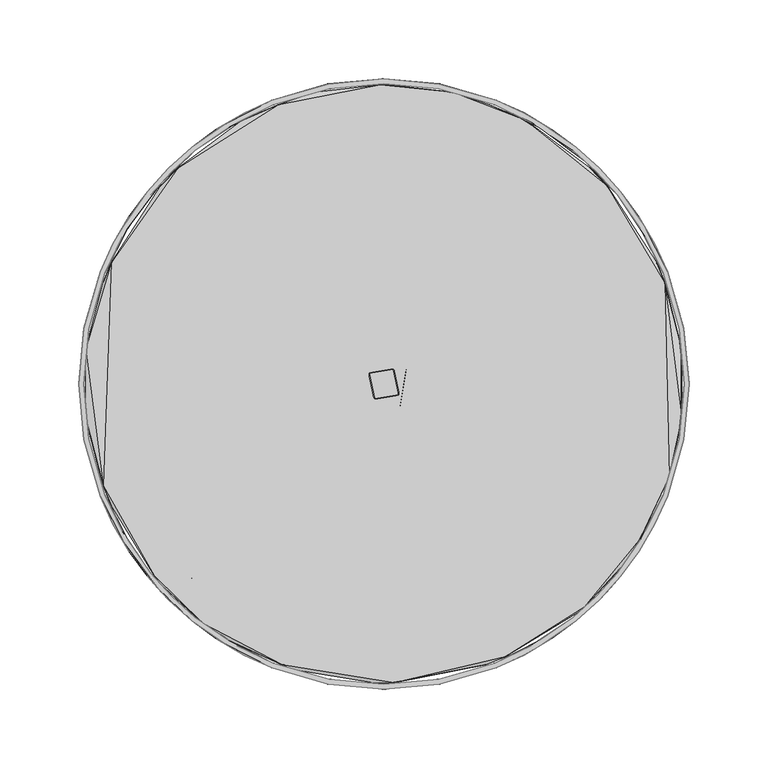
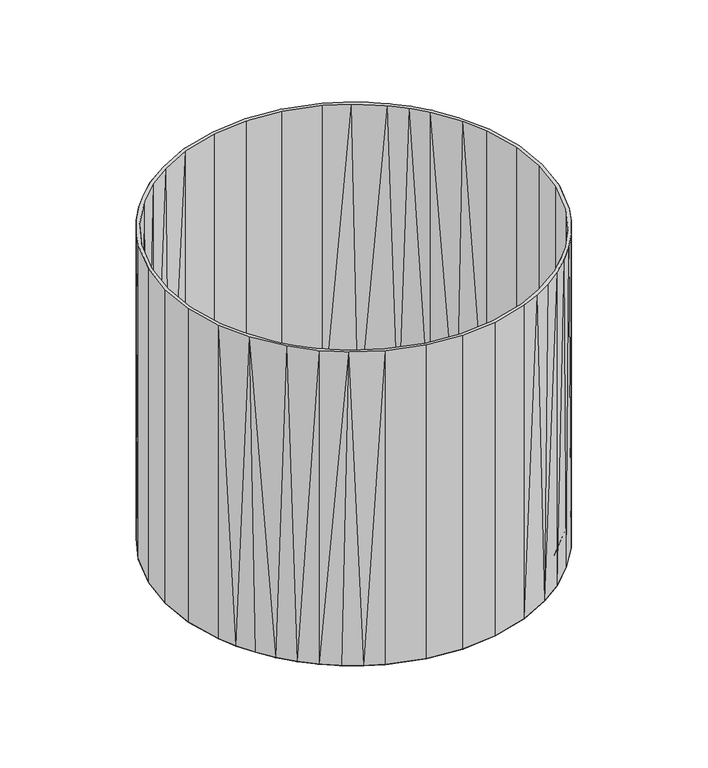
"""IFC4 building model written with IfcOpenShell, lengths in millimetres: furniture geometry."""

from ifc_helpers import new_model, si_unit, origin, place, context, project, spatial, triangles, source, transform, mapped, element, save


def furniture_175a0092(model_context):
    return source(origin(), model_context, "Body", "Tessellation", [
        triangles([(5.9130197, -173.9889257, 29.9999857), (-13.245694, -9.9260849, 29.9999857), (-59.3029209, -163.5585485, 29.9999857), (10.3112972, -14.3073219, 29.9999857), (14.2019992, 9.0624357, 29.9999857), (54.7791963, 165.1335069, 29.9999516), (81.4660394, -153.3002721, 29.9999516), (118.6669573, 126.2538579, 29.9999516), (139.3792196, -103.7090767, 29.9999516), (163.5585485, 59.3028301, 29.9999516), (169.6584124, -38.7675056, 29.9999516), (174.5176362, 0.0001379, 26.9999644), (-169.6585759, 38.7679144, 29.9999857), (-174.5178542, 0.0001137, 26.9999758), (-163.5586757, -59.3029164, 29.9999857), (-141.6821313, 100.804294, 29.9999857), (-121.2061192, -124.2149744, 29.9999857), (-84.1625409, 151.4891544, 29.9999857), (-9.4457205, 173.958041, 29.9999857), (-10.3115833, 14.3075615, 29.9999857), (-169.6585759, -38.76771, 23.9999886), (-163.5586576, 59.3032161, 23.9999886), (-148.8438581, -90.9231202, 23.9999886), (-118.6673751, 126.2537217, 23.9999886), (-117.0587796, -129.7703675, 23.9999886), (-70.6219975, -158.9579209, 23.9999886), (-54.779546, 165.1334524, 23.9999658), (-5.9132207, -173.9889257, 23.9999545), (9.445507, 173.958041, 23.9999545), (-16.0166005, -3.6848357, 23.9999545), (-9.022478, 16.1381422, 23.9999545), (10.311321, 14.3075615, 23.9999545), (10.917123, -11.0103449, 23.9999545), (59.3026893, -163.5585485, 23.9999545), (84.162341, 151.4891544, 23.9999545), (124.2149017, -121.2059738, 23.9999545), (141.6820768, 100.8040215, 23.9999545), (163.5585485, -59.3026121, 23.9999545), (169.6583761, 38.7679144, 23.9999545), (-190.2696725, -35.2097263, 339.9999953), (-190.5000727, 0.0001137, 339.9999953), (-193.5001076, 0.0001137, 339.9999953), (-187.3197617, -34.6638453, 339.9999953), (-179.9141273, -71.2262075, 339.9999953), (-177.1247626, -70.121928, 339.9999953), (-165.1522921, -100.4107588, 339.9999953), (-165.8464903, -93.274957, 339.9999953), (-143.4891976, -129.4333332, 339.9999953), (-147.8953694, -120.0716681, 339.9999953), (-134.7039326, -134.7036964, 339.9999953), (-121.962759, -150.2242244, 339.9999953), (-120.0718679, -147.8951605, 339.9999953), (-100.4108587, -165.1521286, 339.9999953), (-98.8541768, -162.5915836, 339.9999953), (-71.2264119, -179.9139092, 339.9999953), (-70.1221324, -177.1245446, 339.9999953), (-35.2099307, -190.2694545, 339.9999953), (-34.6640451, -187.3195437, 339.9999953), (-8.84e-05, -193.4998714, 339.9999953), (-8.84e-05, -190.4998728, 339.9999953), (34.6638816, -187.3195437, 339.9999953), (35.2097785, -190.2694545, 339.9999953), (70.1219644, -177.1245446, 339.9999953), (71.2262302, -179.9139092, 339.9999953), (93.2748844, -165.8463995, 339.9999953), (88.873427, -171.8828224, 339.9999953), (105.8849886, -161.9585009, 339.9999953), (120.0717044, -147.8951605, 339.9999953), (121.9625955, -150.2242244, 339.9999953), (134.7037509, -134.7036964, 339.9999953), (136.8250877, -136.8250422, 339.9999953), (147.895215, -120.0716499, 339.9999953), (150.2242698, -121.9625501, 339.9999953), (162.5916744, -98.8538589, 339.9999953), (161.9585554, -105.8849432, 339.9999953), (171.8828588, -88.8733725, 339.9999953), (177.1245446, -70.1219008, 339.9999953), (179.9139274, -71.2261939, 339.9999953), (187.3195619, -34.6638294, 339.9999953), (190.269509, -35.2097149, 339.9999953), (190.499891, 0.0001379, 339.9999953), (193.4999259, 0.0001379, 339.9999953), (-190.2696725, 35.2099693, 339.9999953), (-187.3197617, 34.6640724, 339.9999953), (-179.9141273, 71.2264482, 339.9999953), (-177.1247626, 70.1221506, 339.9999953), (-171.8830586, 88.8736269, 339.9999953), (-162.5917289, 98.8543585, 339.9999953), (-161.958737, 105.8852066, 339.9999953), (-150.2244515, 121.9627863, 339.9999953), (-141.2643152, 127.4271148, 339.9999953), (-136.8252512, 136.8252966, 339.9999953), (-121.9627863, 150.2244606, 339.9999953), (-120.0718861, 147.8953785, 339.9999953), (-100.4112856, 165.1521286, 339.9999953), (-98.8541405, 162.5918924, 339.9999953), (-71.2264346, 179.9141454, 339.9999953), (-70.1221324, 177.124799, 339.9999953), (-35.2099307, 190.2697088, 339.9999953), (-34.6640451, 187.3198162, 339.9999953), (-0.0001005, 193.5001076, 339.9999953), (-0.0001005, 190.5001635, 339.9999953), (35.2097785, 190.2697088, 339.9999953), (34.6638566, 187.3198162, 339.9999953), (70.1219371, 177.124799, 339.9999953), (71.2262302, 179.9141454, 339.9999953), (93.2748844, 165.8466356, 339.9999953), (88.8734088, 171.8830404, 339.9999953), (105.8849886, 161.958737, 339.9999953), (120.0717044, 147.8953785, 339.9999953), (121.9625955, 150.2244606, 339.9999953), (134.7037509, 134.7039599, 339.9999953), (136.8250877, 136.8252966, 339.9999953), (147.895215, 120.0719133, 339.9999953), (150.2242698, 121.9628044, 339.9999953), (165.8464903, 93.2749298, 339.9999953), (165.1521649, 100.4109041, 339.9999953), (177.1245446, 70.1221733, 339.9999953), (179.9139274, 71.2264482, 339.9999953), (187.3195619, 34.6640951, 339.9999953), (190.269509, 35.209992, 339.9999953), (-190.2696725, 35.2099693, -3.53e-05), (-190.5000727, 0.0001137, -3.53e-05), (-193.5001076, 0.0001137, -3.53e-05), (-187.3197799, 34.6640724, -3.53e-05), (-179.9141454, 71.2264482, -3.53e-05), (-177.1247808, 70.1221506, -3.53e-05), (-165.1522739, 100.4110494, -3.53e-05), (-165.846563, 93.2751478, -3.53e-05), (-150.2244606, 121.9627863, -3.53e-05), (-147.8953694, 120.0718861, -3.53e-05), (-136.8252784, 136.8252966, -3.53e-05), (-134.7039326, 134.7039599, -3.53e-05), (-121.9628044, 150.2244606, -3.53e-05), (-120.0719133, 147.8953785, -3.53e-05), (-105.8852066, 161.958737, -3.53e-05), (-93.2750842, 165.8466356, -3.53e-05), (-88.8736269, 171.8830404, -3.53e-05), (-71.2264482, 179.9141454, -3.53e-05), (-70.1221506, 177.124799, -3.53e-05), (-35.2099647, 190.2697088, -3.53e-05), (-34.6640565, 187.3198162, -3.53e-05), (-0.0001126, 193.5001076, -3.53e-05), (-0.0001126, 190.5001635, -3.53e-05), (35.2097308, 190.2697088, -3.53e-05), (34.6638566, 187.3198162, -3.53e-05), (70.1219371, 177.124799, -3.53e-05), (71.2262302, 179.9141454, -3.53e-05), (98.8540496, 162.5918379, -3.53e-05), (100.4111039, 165.1521286, -3.53e-05), (127.426924, 141.2643516, -3.53e-05), (121.9625683, 150.2244606, -3.53e-05), (136.8250877, 136.8252966, -3.53e-05), (147.8951696, 120.0719133, -3.53e-05), (150.2242244, 121.9628044, -3.53e-05), (162.5916381, 98.854195, -3.53e-05), (161.9585009, 105.8852066, -3.53e-05), (171.8828588, 88.8736269, -3.53e-05), (177.1245446, 70.1221733, -3.53e-05), (179.9139274, 71.2264482, -3.53e-05), (187.3195619, 34.6640951, -3.53e-05), (190.2694545, 35.209992, -3.53e-05), (190.499891, 0.0001379, -3.53e-05), (193.4998714, 0.0001379, -3.53e-05), (-190.2696725, -35.2097263, -3.53e-05), (-187.3197799, -34.6638453, -3.53e-05), (-179.9141454, -71.2262075, -3.53e-05), (-177.1247808, -70.121928, -3.53e-05), (-171.8830586, -88.8733907, -3.53e-05), (-162.5918016, -98.8540406, -3.53e-05), (-161.958737, -105.8849704, -3.53e-05), (-150.2244606, -121.9625683, -3.53e-05), (-147.8953694, -120.0716681, -3.53e-05), (-136.8252784, -136.8250422, -3.53e-05), (-134.7039326, -134.7036964, -3.53e-05), (-121.9627863, -150.2242244, -3.53e-05), (-120.0718861, -147.8951605, -3.53e-05), (-105.8851884, -161.9585009, -3.53e-05), (-93.2749025, -165.8464721, -3.53e-05), (-88.8735996, -171.8828224, -3.53e-05), (-71.2264346, -179.9139092, -3.53e-05), (-70.1221324, -177.1245446, -3.53e-05), (-35.2099307, -190.2694545, -3.53e-05), (-34.6640451, -187.3195437, -3.53e-05), (-0.0001005, -193.4998714, -3.53e-05), (-0.0001005, -190.4998728, -3.53e-05), (34.6638566, -187.3195437, -3.53e-05), (35.2097785, -190.2694545, -3.53e-05), (70.1219371, -177.1245446, -3.53e-05), (71.2262302, -179.9139092, -3.53e-05), (98.8540315, -162.5915836, -3.53e-05), (100.4107406, -165.1521104, -3.53e-05), (120.0717044, -147.8951605, -3.53e-05), (121.9625955, -150.2242244, -3.53e-05), (134.7037509, -134.7036964, -3.53e-05), (143.4888252, -129.4335239, -3.53e-05), (147.8951696, -120.0716499, -3.53e-05), (165.8464903, -93.2746936, -3.53e-05), (161.9585009, -105.8849432, -3.53e-05), (171.8828588, -88.8733725, -3.53e-05), (177.1245446, -70.1219008, -3.53e-05), (179.9139274, -71.2261939, -3.53e-05), (187.3195619, -34.6638294, -3.53e-05), (190.2694545, -35.2097149, -3.53e-05), (178.0453096, -64.554826, 29.9999516), (173.0370943, 76.8769936, 29.9999516), (188.9899541, 22.0674076, 30.3544335), (188.9899904, -22.0671305, 32.6454751), (5.9618539, 9.3437173, 32.9999729), (9.4127447, 6.7840262, 29.9999857), (9.4127447, -6.783714, 32.9999729), (5.9618658, -9.3434295, 29.9999857), (-5.9621031, -9.3434176, 32.9999729), (-9.4129219, -6.7836657, 29.9999857), (-9.4128975, 6.78405, 32.9999729), (-5.9620668, 9.3437173, 29.9999857), (-173.0373304, -76.8767392, 29.9999857), (-178.0453096, -64.5554437, 32.9999843), (-188.9901903, -22.0672531, 30.3544585), (-145.7340551, -121.7280622, 32.9999843), (-141.2645878, -127.4265607, 29.9999857), (-114.9070669, -151.664716, 32.9999843), (-98.976653, -162.0268651, 29.9999857), (-64.5554119, -178.0451643, 32.9999729), (-58.6824782, -181.0155317, 29.9999857), (-6.4368204, -189.3993768, 29.9999857), (6.4367761, -189.3993768, 32.9999729), (64.555153, -178.0452188, 29.9999516), (76.8767574, -173.0371124, 32.9999729), (121.7282076, -145.7337735, 29.9999516), (127.4264608, -141.2644969, 32.9999729), (151.6646888, -114.9069034, 29.9999516), (162.0268651, -98.9764441, 32.9999729), (181.0156952, -58.6818424, 32.9999593), (178.0452733, 64.5552711, 32.9999729), (141.5898223, 125.862957, 32.9999729), (130.8268346, 136.8458077, 29.9999516), (89.7970171, 167.257814, 32.9999729), (66.8805153, 177.2458308, 29.9999516), (44.0213546, 185.120223, 32.9999729), (2.3178419, 189.9419309, 29.9999857), (-2.318067, 189.9419309, 32.9999729), (-44.0216044, 185.120223, 29.9999857), (-66.880756, 177.2457945, 32.9999729), (-89.7974077, 167.2577232, 29.9999857), (-130.8268619, 136.8459894, 32.9999843), (-141.590013, 125.8629388, 29.9999857), (-173.0372941, 76.8770935, 32.9999843), (-178.0453096, 64.5556617, 29.9999857), (-188.9901903, 22.0674303, 32.6455001)], [[1, 2, 3], [2, 1, 4], [4, 1, 5], [5, 1, 6], [6, 1, 7], [6, 7, 8], [8, 7, 9], [8, 9, 10], [10, 9, 11], [10, 11, 12], [13, 14, 15], [13, 15, 16], [16, 15, 17], [16, 17, 18], [18, 17, 3], [18, 3, 19], [19, 3, 2], [19, 2, 20], [19, 20, 5], [19, 5, 6], [21, 14, 22], [21, 22, 23], [23, 22, 24], [23, 24, 25], [25, 24, 26], [26, 24, 27], [26, 27, 28], [28, 27, 29], [28, 29, 30], [30, 29, 31], [31, 29, 32], [32, 29, 33], [28, 30, 33], [28, 33, 34], [34, 33, 29], [34, 29, 35], [34, 35, 36], [36, 35, 37], [36, 37, 38], [38, 37, 39], [38, 39, 12], [14, 13, 22], [16, 22, 13], [22, 16, 24], [18, 24, 16], [24, 18, 27], [27, 18, 19], [27, 19, 29], [6, 29, 19], [6, 35, 29], [8, 35, 6], [35, 8, 37], [10, 37, 8], [37, 10, 39], [12, 39, 10], [12, 11, 38], [9, 38, 11], [38, 9, 36], [36, 9, 7], [7, 34, 36], [34, 7, 1], [1, 28, 34], [28, 1, 3], [3, 26, 28], [26, 3, 17], [17, 25, 26], [25, 17, 23], [15, 23, 17], [23, 15, 21], [14, 21, 15], [2, 30, 20], [31, 20, 30], [20, 31, 32], [32, 5, 20], [33, 5, 32], [5, 33, 4], [2, 33, 30], [33, 2, 4], [40, 41, 42], [41, 40, 43], [43, 40, 44], [43, 44, 45], [45, 44, 46], [45, 46, 47], [47, 46, 48], [47, 48, 49], [49, 48, 50], [50, 48, 51], [50, 51, 52], [52, 51, 53], [52, 53, 54], [54, 53, 55], [54, 55, 56], [56, 55, 57], [56, 57, 58], [58, 57, 59], [58, 59, 60], [60, 59, 61], [61, 59, 62], [61, 62, 63], [63, 62, 64], [63, 64, 65], [65, 64, 66], [65, 66, 67], [65, 67, 68], [68, 67, 69], [68, 69, 70], [70, 69, 71], [70, 71, 72], [72, 71, 73], [72, 73, 74], [74, 73, 75], [74, 75, 76], [74, 76, 77], [77, 76, 78], [77, 78, 79], [79, 78, 80], [79, 80, 81], [81, 80, 82], [41, 83, 42], [83, 41, 84], [83, 84, 85], [85, 84, 86], [85, 86, 87], [87, 86, 88], [87, 88, 89], [89, 88, 90], [90, 88, 91], [90, 91, 92], [92, 91, 93], [93, 91, 94], [93, 94, 95], [95, 94, 96], [95, 96, 97], [97, 96, 98], [97, 98, 99], [99, 98, 100], [99, 100, 101], [101, 100, 102], [101, 102, 103], [103, 102, 104], [103, 104, 105], [103, 105, 106], [106, 105, 107], [106, 107, 108], [108, 107, 109], [109, 107, 110], [109, 110, 111], [111, 110, 112], [111, 112, 113], [113, 112, 114], [113, 114, 115], [115, 114, 116], [115, 116, 117], [117, 116, 118], [117, 118, 119], [119, 118, 120], [119, 120, 121], [121, 120, 81], [121, 81, 82], [122, 123, 124], [123, 122, 125], [125, 122, 126], [125, 126, 127], [127, 126, 128], [127, 128, 129], [129, 128, 130], [129, 130, 131], [131, 130, 132], [131, 132, 133], [133, 132, 134], [133, 134, 135], [135, 134, 136], [135, 136, 137], [137, 136, 138], [137, 138, 139], [137, 139, 140], [140, 139, 141], [140, 141, 142], [142, 141, 143], [142, 143, 144], [144, 143, 145], [144, 145, 146], [146, 145, 147], [147, 145, 148], [147, 148, 149], [149, 148, 150], [149, 150, 151], [151, 150, 152], [151, 152, 153], [151, 153, 154], [154, 153, 155], [154, 155, 156], [156, 155, 157], [156, 157, 158], [156, 158, 159], [159, 158, 160], [159, 160, 161], [161, 160, 162], [161, 162, 163], [163, 162, 164], [123, 165, 124], [165, 123, 166], [165, 166, 167], [167, 166, 168], [167, 168, 169], [169, 168, 170], [169, 170, 171], [171, 170, 172], [172, 170, 173], [172, 173, 174], [174, 173, 175], [174, 175, 176], [176, 175, 177], [176, 177, 178], [178, 177, 179], [178, 179, 180], [180, 179, 181], [181, 179, 182], [181, 182, 183], [183, 182, 184], [183, 184, 185], [185, 184, 186], [185, 186, 187], [185, 187, 188], [188, 187, 189], [188, 189, 190], [190, 189, 191], [190, 191, 192], [192, 191, 193], [192, 193, 194], [194, 193, 195], [194, 195, 196], [196, 195, 197], [196, 197, 198], [196, 198, 199], [199, 198, 200], [200, 198, 201], [200, 201, 202], [202, 201, 203], [202, 203, 204], [204, 203, 163], [204, 163, 164], [42, 165, 40], [165, 42, 124], [83, 124, 42], [124, 83, 122], [85, 122, 83], [122, 85, 126], [87, 126, 85], [126, 87, 128], [89, 128, 87], [90, 128, 89], [128, 90, 130], [92, 130, 90], [130, 92, 132], [132, 93, 134], [93, 132, 92], [134, 95, 136], [95, 134, 93], [136, 95, 138], [138, 97, 139], [97, 138, 95], [139, 99, 141], [99, 139, 97], [141, 101, 143], [101, 141, 99], [143, 103, 145], [103, 143, 101], [145, 106, 148], [106, 145, 103], [148, 108, 150], [108, 148, 106], [109, 150, 108], [150, 111, 152], [111, 150, 109], [152, 113, 153], [113, 152, 111], [153, 115, 155], [115, 153, 113], [155, 117, 157], [117, 155, 115], [157, 117, 158], [158, 119, 160], [119, 158, 117], [160, 121, 162], [121, 160, 119], [162, 82, 164], [82, 162, 121], [164, 80, 204], [80, 164, 82], [204, 78, 202], [78, 204, 80], [202, 76, 200], [76, 202, 78], [200, 75, 199], [75, 200, 76], [199, 73, 196], [73, 199, 75], [71, 196, 73], [71, 194, 196], [194, 71, 69], [69, 192, 194], [192, 69, 67], [192, 67, 66], [66, 190, 192], [190, 66, 64], [64, 188, 190], [188, 64, 62], [62, 185, 188], [185, 62, 59], [59, 183, 185], [183, 59, 57], [57, 181, 183], [181, 57, 55], [55, 180, 181], [180, 55, 53], [53, 178, 180], [53, 176, 178], [176, 53, 51], [51, 174, 176], [174, 51, 48], [174, 48, 172], [46, 172, 48], [172, 46, 171], [171, 46, 169], [44, 169, 46], [169, 44, 167], [40, 167, 44], [167, 40, 165], [127, 84, 125], [84, 127, 86], [125, 41, 123], [41, 125, 84], [123, 43, 166], [43, 123, 41], [166, 45, 168], [45, 166, 43], [168, 47, 170], [47, 168, 45], [170, 49, 173], [49, 170, 47], [173, 50, 175], [50, 173, 49], [175, 52, 177], [52, 175, 50], [177, 54, 179], [54, 177, 52], [179, 56, 182], [56, 179, 54], [182, 58, 184], [58, 182, 56], [184, 60, 186], [60, 184, 58], [186, 61, 187], [61, 186, 60], [187, 63, 189], [63, 187, 61], [189, 65, 191], [65, 189, 63], [191, 68, 193], [68, 191, 65], [193, 70, 195], [70, 193, 68], [72, 195, 70], [195, 72, 197], [74, 197, 72], [197, 74, 198], [77, 198, 74], [198, 77, 201], [79, 201, 77], [201, 79, 203], [81, 203, 79], [203, 81, 163], [120, 163, 81], [163, 120, 161], [118, 161, 120], [161, 118, 159], [116, 159, 118], [159, 116, 156], [114, 156, 116], [156, 114, 154], [112, 154, 114], [154, 112, 151], [151, 112, 110], [110, 149, 151], [149, 110, 107], [107, 147, 149], [147, 107, 105], [105, 146, 147], [146, 105, 104], [104, 144, 146], [144, 104, 102], [102, 142, 144], [142, 102, 100], [100, 140, 142], [140, 100, 98], [98, 137, 140], [137, 98, 96], [96, 135, 137], [135, 96, 94], [94, 133, 135], [133, 94, 91], [133, 91, 131], [131, 88, 129], [88, 131, 91], [129, 86, 127], [86, 129, 88], [205, 206, 207], [205, 207, 208], [209, 210, 211], [212, 211, 210], [212, 213, 211], [213, 212, 214], [213, 214, 215], [216, 215, 214], [216, 209, 215], [209, 216, 210], [217, 218, 219], [218, 217, 220], [221, 220, 217], [222, 221, 223], [221, 222, 220], [223, 224, 222], [224, 223, 225], [224, 225, 226], [226, 227, 224], [227, 226, 228], [228, 229, 227], [229, 228, 230], [230, 231, 229], [232, 231, 230], [231, 232, 233], [205, 233, 232], [233, 205, 234], [234, 205, 208], [206, 235, 207], [235, 206, 236], [237, 236, 206], [237, 238, 236], [239, 238, 237], [239, 240, 238], [241, 240, 239], [240, 241, 242], [243, 242, 241], [242, 243, 244], [244, 243, 245], [244, 245, 246], [246, 245, 247], [246, 247, 248], [249, 248, 247], [248, 249, 250], [215, 227, 213], [213, 227, 211], [211, 227, 242], [242, 227, 240], [240, 227, 229], [240, 229, 238], [238, 229, 236], [236, 229, 231], [236, 231, 233], [236, 233, 235], [235, 233, 234], [235, 234, 208], [235, 208, 207], [250, 219, 218], [250, 218, 248], [248, 218, 220], [248, 220, 246], [246, 220, 222], [246, 222, 244], [244, 222, 224], [244, 224, 242], [242, 224, 227], [242, 227, 215], [242, 215, 209], [242, 209, 211], [219, 250, 249], [219, 249, 217], [217, 249, 247], [217, 247, 221], [221, 247, 223], [223, 247, 245], [223, 245, 225], [225, 245, 243], [225, 243, 226], [226, 243, 241], [226, 241, 214], [214, 241, 216], [216, 241, 210], [226, 214, 212], [226, 212, 210], [226, 210, 241], [226, 241, 239], [226, 239, 228], [228, 239, 237], [228, 237, 230], [230, 237, 232], [232, 237, 206], [232, 206, 205]], closed=False),
    ])


if __name__ == "__main__":
    model = new_model("IFC4")
    model_context = context("Model", 3, world=origin())
    ifc_project = project(units=[si_unit("LENGTHUNIT", "METRE", prefix="MILLI")], contexts=[model_context])
    site = spatial("IfcSite", under=ifc_project)
    building = spatial("IfcBuilding", under=site)
    placement = place(None, origin())
    furniture_shape = furniture_175a0092(model_context)
    element("IfcFurniture", 1, at=placement, inside=building, context=model_context, shape_type="MappedRepresentation", body=[
        mapped(furniture_shape, transform((0.0, 0.0, 0.0), x_axis=(1.0, 0.0, 0.0), y_axis=(0.0, 1.0, 0.0), z_axis=(0.0, 0.0, 1.0))),
    ])
    save(model, "model.ifc")
